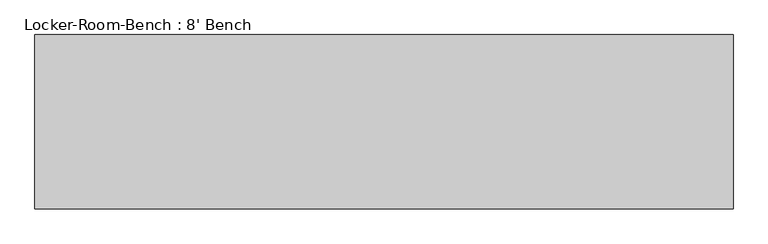
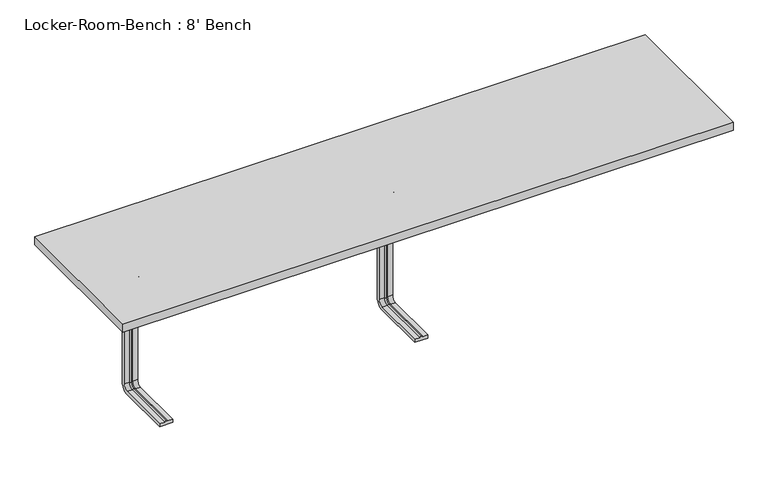
"""IFC4 building model written with IfcOpenShell, lengths in millimetres: proxy geometry, Locker-Room-Bench : 8' Bench."""

from ifc_helpers import new_model, si_unit, point, frame, origin, place, context, project, spatial, polyline, circle_curve, ellipse_curve, trimmed, outline, extrude, source, transform, mapped, element, save
from ifc_brep_helpers import plane_surface, cylinder_surface, revolved_surface, advanced_brep


def locker_room_bench_8_bench_adb4860a(model_context):
    return source(origin(), model_context, "Body", "SolidModel", [
        advanced_brep(
        [(-744.4, -193.6, 381.4), (-784.4, -193.6, 381.4), (-784.4, -193.6, 371.4), (-769.4, -193.6, 371.4), (-764.4, -193.6, 369.0684617), (-759.4, -193.6, 371.4), (-744.4, -193.6, 371.4), (-744.4, -25.0, 381.4), (-784.4, -25.0, 381.4), (-784.4, 0.0, 356.4), (-784.4, 0.0, 40.0), (-784.4, -25.0, 15.0), (-784.4, -193.6, 15.0), (-784.4, -193.6, 25.0), (-784.4, -25.0, 25.0), (-784.4, -10.0, 40.0), (-784.4, -10.0, 356.4), (-784.4, -25.0, 371.4), (-769.4, -25.0, 371.4), (-764.4, -25.0, 369.0684617), (-759.4, -25.0, 371.4), (-744.4, -25.0, 371.4), (-744.4, -10.0, 356.4), (-744.4, -10.0, 40.0), (-744.4, -25.0, 25.0), (-744.4, -193.6, 25.0), (-744.4, -193.6, 15.0), (-744.4, -25.0, 15.0), (-744.4, 0.0, 40.0), (-744.4, 0.0, 356.4), (-769.4, -10.0, 356.4), (-764.4, -12.3315383, 356.4), (-759.4, -10.0, 356.4), (-769.4, -10.0, 40.0), (-764.4, -12.3315383, 40.0), (-759.4, -10.0, 40.0), (-769.4, -25.0, 25.0), (-764.4, -25.0, 27.3315383), (-759.4, -25.0, 25.0), (-759.4, -193.6, 25.0), (-764.4, -193.6, 27.3315383), (-769.4, -193.6, 25.0)],
        [
            (0, 1),
            (1, 2),
            (2, 3),
            (3, 4, circle_curve(frame((-764.6996409, -193.6, 374.9529162), z_axis=(0.0, -1.0, 0.0), x_axis=(0.0, 0.0, 1.0)), 5.8920785)),
            (4, 5, circle_curve(frame((-764.1003591, -193.6, 374.9529162), z_axis=(0.0, -1.0, 0.0), x_axis=(0.0, 0.0, 1.0)), 5.8920785)),
            (5, 6),
            (6, 0),
            (0, 7),
            (7, 8),
            (8, 1),
            (8, 9, circle_curve(frame((-784.4, -25.0, 356.4), z_axis=(-1.0, 0.0, 0.0), x_axis=(0.0, 0.0, 1.0)), 25.0)),
            (9, 10),
            (10, 11, circle_curve(frame((-784.4, -25.0, 40.0), z_axis=(-1.0, 0.0, 0.0), x_axis=(0.0, 1.0, 0.0)), 25.0)),
            (11, 12),
            (12, 13),
            (13, 14),
            (14, 15, circle_curve(frame((-784.4, -25.0, 40.0), z_axis=(1.0, 0.0, 0.0), x_axis=(0.0, 1.0, 0.0)), 15.0)),
            (15, 16),
            (16, 17, circle_curve(frame((-784.4, -25.0, 356.4), z_axis=(1.0, 0.0, 0.0), x_axis=(0.0, 0.0, 1.0)), 15.0)),
            (17, 2),
            (17, 18),
            (18, 3),
            (18, 19, circle_curve(frame((-764.6996409, -25.0, 374.9529162), z_axis=(0.0, -1.0, 0.0), x_axis=(0.0, 0.0, 1.0)), 5.8920785)),
            (19, 4),
            (19, 20, circle_curve(frame((-764.1003591, -25.0, 374.9529162), z_axis=(0.0, -1.0, 0.0), x_axis=(0.0, 0.0, 1.0)), 5.8920785)),
            (20, 5),
            (20, 21),
            (21, 6),
            (21, 22, circle_curve(frame((-744.4, -25.0, 356.4), z_axis=(-1.0, 0.0, 0.0), x_axis=(0.0, 0.0, 1.0)), 15.0)),
            (22, 23),
            (23, 24, circle_curve(frame((-744.4, -25.0, 40.0), z_axis=(-1.0, 0.0, 0.0), x_axis=(0.0, 1.0, 0.0)), 15.0)),
            (24, 25),
            (25, 26),
            (26, 27),
            (27, 28, circle_curve(frame((-744.4, -25.0, 40.0), z_axis=(1.0, 0.0, 0.0), x_axis=(0.0, 1.0, 0.0)), 25.0)),
            (28, 29),
            (29, 7, circle_curve(frame((-744.4, -25.0, 356.4), z_axis=(1.0, 0.0, 0.0), x_axis=(0.0, 0.0, 1.0)), 25.0)),
            (29, 9),
            (30, 18, circle_curve(frame((-769.4, -25.0, 356.4), z_axis=(1.0, 0.0, 0.0), x_axis=(0.0, 0.0, 1.0)), 15.0)),
            (16, 30),
            (31, 19, circle_curve(frame((-764.4, -25.0, 356.4), z_axis=(1.0, 0.0, 0.0), x_axis=(0.0, 0.0, 1.0)), 12.6684617)),
            (30, 31, circle_curve(frame((-764.6996409, -6.4470838, 356.4), z_axis=(0.0, 0.0, 1.0), x_axis=(0.0, 1.0, 0.0)), 5.8920785)),
            (32, 20, circle_curve(frame((-759.4, -25.0, 356.4), z_axis=(1.0, 0.0, 0.0), x_axis=(0.0, 0.0, 1.0)), 15.0)),
            (31, 32, circle_curve(frame((-764.1003591, -6.4470838, 356.4), z_axis=(0.0, 0.0, 1.0), x_axis=(0.0, 1.0, 0.0)), 5.8920785)),
            (32, 22),
            (28, 10),
            (15, 33),
            (33, 30),
            (33, 34, circle_curve(frame((-764.6996409, -6.4470838, 40.0), z_axis=(0.0, 0.0, 1.0), x_axis=(0.0, 1.0, 0.0)), 5.8920785)),
            (34, 31),
            (34, 35, circle_curve(frame((-764.1003591, -6.4470838, 40.0), z_axis=(0.0, 0.0, 1.0), x_axis=(0.0, 1.0, 0.0)), 5.8920785)),
            (35, 32),
            (35, 23),
            (27, 11),
            (36, 33, circle_curve(frame((-769.4, -25.0, 40.0), z_axis=(1.0, 0.0, 0.0), x_axis=(0.0, 1.0, 0.0)), 15.0)),
            (14, 36),
            (37, 34, circle_curve(frame((-764.4, -25.0, 40.0), z_axis=(1.0, 0.0, 0.0), x_axis=(0.0, 1.0, 0.0)), 12.6684617)),
            (36, 37, circle_curve(frame((-764.6996409, -25.0, 21.4470838), z_axis=(0.0, 1.0, 0.0), x_axis=(0.0, 0.0, -1.0)), 5.8920785)),
            (38, 35, circle_curve(frame((-759.4, -25.0, 40.0), z_axis=(1.0, 0.0, 0.0), x_axis=(0.0, 1.0, 0.0)), 15.0)),
            (37, 38, circle_curve(frame((-764.1003591, -25.0, 21.4470838), z_axis=(0.0, 1.0, 0.0), x_axis=(0.0, 0.0, -1.0)), 5.8920785)),
            (38, 24),
            (25, 39),
            (39, 40, circle_curve(frame((-764.1003591, -193.6, 21.4470838), z_axis=(0.0, -1.0, 0.0), x_axis=(0.0, 0.0, -1.0)), 5.8920785)),
            (40, 41, circle_curve(frame((-764.6996409, -193.6, 21.4470838), z_axis=(0.0, -1.0, 0.0), x_axis=(0.0, 0.0, -1.0)), 5.8920785)),
            (41, 13),
            (12, 26),
            (41, 36),
            (40, 37),
            (39, 38),
        ],
        [
            plane_surface(frame((-764.4, -193.6, 381.4), z_axis=(0.0, -1.0, 0.0), x_axis=(1.0, 0.0, 0.0))),
            plane_surface(frame((-744.4, -193.6, 381.4), z_axis=(0.0, 0.0, 1.0), x_axis=(0.0, 1.0, 0.0))),
            plane_surface(frame((-784.4, -193.6, 381.4), z_axis=(-1.0, 0.0, 0.0), x_axis=(0.0, 1.0, 0.0))),
            plane_surface(frame((-784.4, -193.6, 371.4), z_axis=(0.0, 0.0, -1.0), x_axis=(0.0, 1.0, 0.0))),
            cylinder_surface(frame((-764.6996409, -193.6, 374.9529162), z_axis=(0.0, -1.0, 0.0), x_axis=(0.0, 0.0, 1.0)), 5.8920785),
            cylinder_surface(frame((-764.1003591, -193.6, 374.9529162), z_axis=(0.0, -1.0, 0.0), x_axis=(0.0, 0.0, 1.0)), 5.8920785),
            plane_surface(frame((-759.4, -193.6, 371.4), z_axis=(0.0, 0.0, -1.0), x_axis=(0.0, 1.0, 0.0))),
            plane_surface(frame((-744.4, -193.6, 371.4), z_axis=(1.0, 0.0, 0.0), x_axis=(0.0, 1.0, 0.0))),
            cylinder_surface(frame((-764.4, -25.0, 356.4), z_axis=(-1.0, 0.0, 0.0), x_axis=(0.0, 0.0, 1.0)), 25.0),
            revolved_surface(polyline([(-784.4, -25.0, 371.4), (-769.4, -25.0, 371.4)]), (-764.4, -25.0, 356.4), (-1.0, 0.0, 0.0)),
            revolved_surface(trimmed(ellipse_curve(frame((-764.6996409, -25.0, 374.9529162), z_axis=(0.0, -1.0, 0.0), x_axis=(0.0, 0.0, 1.0)), 5.8920785, 5.8920785), [point((-769.4, -25.0, 371.4))], [point((-764.4, -25.0, 369.0684617))], True, "CARTESIAN"), (-764.4, -25.0, 356.4), (-1.0, 0.0, 0.0)),
            revolved_surface(trimmed(ellipse_curve(frame((-764.1003591, -25.0, 374.9529162), z_axis=(0.0, -1.0, 0.0), x_axis=(0.0, 0.0, 1.0)), 5.8920785, 5.8920785), [point((-764.4, -25.0, 369.0684617))], [point((-759.4, -25.0, 371.4))], True, "CARTESIAN"), (-764.4, -25.0, 356.4), (-1.0, 0.0, 0.0)),
            revolved_surface(polyline([(-759.4, -25.0, 371.4), (-744.4, -25.0, 371.4)]), (-764.4, -25.0, 356.4), (-1.0, 0.0, 0.0)),
            plane_surface(frame((-744.4, 0.0, 356.4), z_axis=(0.0, 1.0, 0.0), x_axis=(0.0, 0.0, -1.0))),
            plane_surface(frame((-784.4, -10.0, 356.4), z_axis=(0.0, -1.0, 0.0), x_axis=(0.0, 0.0, -1.0))),
            cylinder_surface(frame((-764.6996409, -6.4470838, 356.4), z_axis=(0.0, 0.0, 1.0), x_axis=(0.0, 1.0, 0.0)), 5.8920785),
            cylinder_surface(frame((-764.1003591, -6.4470838, 356.4), z_axis=(0.0, 0.0, 1.0), x_axis=(0.0, 1.0, 0.0)), 5.8920785),
            plane_surface(frame((-759.4, -10.0, 356.4), z_axis=(0.0, -1.0, 0.0), x_axis=(0.0, 0.0, -1.0))),
            cylinder_surface(frame((-764.4, -25.0, 40.0), z_axis=(-1.0, 0.0, 0.0), x_axis=(0.0, 1.0, 0.0)), 25.0),
            revolved_surface(polyline([(-784.4, -10.0, 40.0), (-769.4, -10.0, 40.0)]), (-764.4, -25.0, 40.0), (-1.0, 0.0, 0.0)),
            revolved_surface(trimmed(ellipse_curve(frame((-764.6996409, -6.4470838, 40.0), z_axis=(0.0, 0.0, 1.0), x_axis=(0.0, 1.0, 0.0)), 5.8920785, 5.8920785), [point((-769.4, -10.0, 40.0))], [point((-764.4, -12.3315383, 40.0))], True, "CARTESIAN"), (-764.4, -25.0, 40.0), (-1.0, 0.0, 0.0)),
            revolved_surface(trimmed(ellipse_curve(frame((-764.1003591, -6.4470838, 40.0), z_axis=(0.0, 0.0, 1.0), x_axis=(0.0, 1.0, 0.0)), 5.8920785, 5.8920785), [point((-764.4, -12.3315383, 40.0))], [point((-759.4, -10.0, 40.0))], True, "CARTESIAN"), (-764.4, -25.0, 40.0), (-1.0, 0.0, 0.0)),
            revolved_surface(polyline([(-759.4, -10.0, 40.0), (-744.4, -10.0, 40.0)]), (-764.4, -25.0, 40.0), (-1.0, 0.0, 0.0)),
            plane_surface(frame((-764.4, -193.6, 15.0), z_axis=(0.0, -1.0, 0.0), x_axis=(1.0, 0.0, 0.0))),
            plane_surface(frame((-744.4, -25.0, 15.0), z_axis=(0.0, 0.0, -1.0), x_axis=(0.0, -1.0, 0.0))),
            plane_surface(frame((-784.4, -25.0, 25.0), z_axis=(0.0, 0.0, 1.0), x_axis=(0.0, -1.0, 0.0))),
            cylinder_surface(frame((-764.6996409, -25.0, 21.4470838), z_axis=(0.0, 1.0, 0.0), x_axis=(0.0, 0.0, -1.0)), 5.8920785),
            cylinder_surface(frame((-764.1003591, -25.0, 21.4470838), z_axis=(0.0, 1.0, 0.0), x_axis=(0.0, 0.0, -1.0)), 5.8920785),
            plane_surface(frame((-759.4, -25.0, 25.0), z_axis=(0.0, 0.0, 1.0), x_axis=(0.0, -1.0, 0.0))),
        ],
        [
            (0, [[1, 2, 3, 4, 5, 6, 7]]),
            (1, [[-1, 8, 9, 10]]),
            (2, [[-2, -10, 11, 12, 13, 14, 15, 16, 17, 18, 19, 20]]),
            (3, [[-3, -20, 21, 22]]),
            (4, [[-4, -22, 23, 24]]),
            (5, [[-5, -24, 25, 26]]),
            (6, [[-6, -26, 27, 28]]),
            (7, [[-7, -28, 29, 30, 31, 32, 33, 34, 35, 36, 37, -8]]),
            (8, [[-11, -9, -37, 38]]),
            (9, [[39, -21, -19, 40]]),
            (10, [[41, -23, -39, 42]]),
            (11, [[43, -25, -41, 44]]),
            (12, [[-29, -27, -43, 45]]),
            (13, [[-38, -36, 46, -12]]),
            (14, [[-40, -18, 47, 48]]),
            (15, [[-42, -48, 49, 50]]),
            (16, [[-44, -50, 51, 52]]),
            (17, [[-45, -52, 53, -30]]),
            (18, [[-13, -46, -35, 54]]),
            (19, [[55, -47, -17, 56]]),
            (20, [[57, -49, -55, 58]]),
            (21, [[59, -51, -57, 60]]),
            (22, [[-31, -53, -59, 61]]),
            (23, [[-33, 62, 63, 64, 65, -15, 66]]),
            (24, [[-54, -34, -66, -14]]),
            (25, [[-56, -16, -65, 67]]),
            (26, [[-58, -67, -64, 68]]),
            (27, [[-60, -68, -63, 69]]),
            (28, [[-61, -69, -62, -32]]),
        ],
    ),
        advanced_brep(
        [(20.0, -193.6, 381.4), (-20.0, -193.6, 381.4), (-20.0, -193.6, 371.4), (-5.0, -193.6, 371.4), (0.0, -193.6, 369.0684617), (5.0, -193.6, 371.4), (20.0, -193.6, 371.4), (20.0, -25.0, 381.4), (-20.0, -25.0, 381.4), (-20.0, 0.0, 356.4), (-20.0, 0.0, 40.0), (-20.0, -25.0, 15.0), (-20.0, -193.6, 15.0), (-20.0, -193.6, 25.0), (-20.0, -25.0, 25.0), (-20.0, -10.0, 40.0), (-20.0, -10.0, 356.4), (-20.0, -25.0, 371.4), (-5.0, -25.0, 371.4), (0.0, -25.0, 369.0684617), (5.0, -25.0, 371.4), (20.0, -25.0, 371.4), (20.0, -10.0, 356.4), (20.0, -10.0, 40.0), (20.0, -25.0, 25.0), (20.0, -193.6, 25.0), (20.0, -193.6, 15.0), (20.0, -25.0, 15.0), (20.0, 0.0, 40.0), (20.0, 0.0, 356.4), (-5.0, -10.0, 356.4), (0.0, -12.3315383, 356.4), (5.0, -10.0, 356.4), (-5.0, -10.0, 40.0), (0.0, -12.3315383, 40.0), (5.0, -10.0, 40.0), (-5.0, -25.0, 25.0), (0.0, -25.0, 27.3315383), (5.0, -25.0, 25.0), (5.0, -193.6, 25.0), (0.0, -193.6, 27.3315383), (-5.0, -193.6, 25.0)],
        [
            (0, 1),
            (1, 2),
            (2, 3),
            (3, 4, circle_curve(frame((-0.2996409, -193.6, 374.9529162), z_axis=(0.0, -1.0, 0.0), x_axis=(0.0, 0.0, 1.0)), 5.8920785)),
            (4, 5, circle_curve(frame((0.2996409, -193.6, 374.9529162), z_axis=(0.0, -1.0, 0.0), x_axis=(0.0, 0.0, 1.0)), 5.8920785)),
            (5, 6),
            (6, 0),
            (0, 7),
            (7, 8),
            (8, 1),
            (8, 9, circle_curve(frame((-20.0, -25.0, 356.4), z_axis=(-1.0, 0.0, 0.0), x_axis=(0.0, 0.0, 1.0)), 25.0)),
            (9, 10),
            (10, 11, circle_curve(frame((-20.0, -25.0, 40.0), z_axis=(-1.0, 0.0, 0.0), x_axis=(0.0, 1.0, 0.0)), 25.0)),
            (11, 12),
            (12, 13),
            (13, 14),
            (14, 15, circle_curve(frame((-20.0, -25.0, 40.0), z_axis=(1.0, 0.0, 0.0), x_axis=(0.0, 1.0, 0.0)), 15.0)),
            (15, 16),
            (16, 17, circle_curve(frame((-20.0, -25.0, 356.4), z_axis=(1.0, 0.0, 0.0), x_axis=(0.0, 0.0, 1.0)), 15.0)),
            (17, 2),
            (17, 18),
            (18, 3),
            (18, 19, circle_curve(frame((-0.2996409, -25.0, 374.9529162), z_axis=(0.0, -1.0, 0.0), x_axis=(0.0, 0.0, 1.0)), 5.8920785)),
            (19, 4),
            (19, 20, circle_curve(frame((0.2996409, -25.0, 374.9529162), z_axis=(0.0, -1.0, 0.0), x_axis=(0.0, 0.0, 1.0)), 5.8920785)),
            (20, 5),
            (20, 21),
            (21, 6),
            (21, 22, circle_curve(frame((20.0, -25.0, 356.4), z_axis=(-1.0, 0.0, 0.0), x_axis=(0.0, 0.0, 1.0)), 15.0)),
            (22, 23),
            (23, 24, circle_curve(frame((20.0, -25.0, 40.0), z_axis=(-1.0, 0.0, 0.0), x_axis=(0.0, 1.0, 0.0)), 15.0)),
            (24, 25),
            (25, 26),
            (26, 27),
            (27, 28, circle_curve(frame((20.0, -25.0, 40.0), z_axis=(1.0, 0.0, 0.0), x_axis=(0.0, 1.0, 0.0)), 25.0)),
            (28, 29),
            (29, 7, circle_curve(frame((20.0, -25.0, 356.4), z_axis=(1.0, 0.0, 0.0), x_axis=(0.0, 0.0, 1.0)), 25.0)),
            (29, 9),
            (30, 18, circle_curve(frame((-5.0, -25.0, 356.4), z_axis=(1.0, 0.0, 0.0), x_axis=(0.0, 0.0, 1.0)), 15.0)),
            (16, 30),
            (31, 19, circle_curve(frame((0.0, -25.0, 356.4), z_axis=(1.0, 0.0, 0.0), x_axis=(0.0, 0.0, 1.0)), 12.6684617)),
            (30, 31, circle_curve(frame((-0.2996409, -6.4470838, 356.4), z_axis=(0.0, 0.0, 1.0), x_axis=(0.0, 1.0, 0.0)), 5.8920785)),
            (32, 20, circle_curve(frame((5.0, -25.0, 356.4), z_axis=(1.0, 0.0, 0.0), x_axis=(0.0, 0.0, 1.0)), 15.0)),
            (31, 32, circle_curve(frame((0.2996409, -6.4470838, 356.4), z_axis=(0.0, 0.0, 1.0), x_axis=(0.0, 1.0, 0.0)), 5.8920785)),
            (32, 22),
            (28, 10),
            (15, 33),
            (33, 30),
            (33, 34, circle_curve(frame((-0.2996409, -6.4470838, 40.0), z_axis=(0.0, 0.0, 1.0), x_axis=(0.0, 1.0, 0.0)), 5.8920785)),
            (34, 31),
            (34, 35, circle_curve(frame((0.2996409, -6.4470838, 40.0), z_axis=(0.0, 0.0, 1.0), x_axis=(0.0, 1.0, 0.0)), 5.8920785)),
            (35, 32),
            (35, 23),
            (27, 11),
            (36, 33, circle_curve(frame((-5.0, -25.0, 40.0), z_axis=(1.0, 0.0, 0.0), x_axis=(0.0, 1.0, 0.0)), 15.0)),
            (14, 36),
            (37, 34, circle_curve(frame((0.0, -25.0, 40.0), z_axis=(1.0, 0.0, 0.0), x_axis=(0.0, 1.0, 0.0)), 12.6684617)),
            (36, 37, circle_curve(frame((-0.2996409, -25.0, 21.4470838), z_axis=(0.0, 1.0, 0.0), x_axis=(0.0, 0.0, -1.0)), 5.8920785)),
            (38, 35, circle_curve(frame((5.0, -25.0, 40.0), z_axis=(1.0, 0.0, 0.0), x_axis=(0.0, 1.0, 0.0)), 15.0)),
            (37, 38, circle_curve(frame((0.2996409, -25.0, 21.4470838), z_axis=(0.0, 1.0, 0.0), x_axis=(0.0, 0.0, -1.0)), 5.8920785)),
            (38, 24),
            (25, 39),
            (39, 40, circle_curve(frame((0.2996409, -193.6, 21.4470838), z_axis=(0.0, -1.0, 0.0), x_axis=(0.0, 0.0, -1.0)), 5.8920785)),
            (40, 41, circle_curve(frame((-0.2996409, -193.6, 21.4470838), z_axis=(0.0, -1.0, 0.0), x_axis=(0.0, 0.0, -1.0)), 5.8920785)),
            (41, 13),
            (12, 26),
            (41, 36),
            (40, 37),
            (39, 38),
        ],
        [
            plane_surface(frame((0.0, -193.6, 381.4), z_axis=(0.0, -1.0, 0.0), x_axis=(1.0, 0.0, 0.0))),
            plane_surface(frame((20.0, -193.6, 381.4), z_axis=(0.0, 0.0, 1.0), x_axis=(0.0, 1.0, 0.0))),
            plane_surface(frame((-20.0, -193.6, 381.4), z_axis=(-1.0, 0.0, 0.0), x_axis=(0.0, 1.0, 0.0))),
            plane_surface(frame((-20.0, -193.6, 371.4), z_axis=(0.0, 0.0, -1.0), x_axis=(0.0, 1.0, 0.0))),
            cylinder_surface(frame((-0.2996409, -193.6, 374.9529162), z_axis=(0.0, -1.0, 0.0), x_axis=(0.0, 0.0, 1.0)), 5.8920785),
            cylinder_surface(frame((0.2996409, -193.6, 374.9529162), z_axis=(0.0, -1.0, 0.0), x_axis=(0.0, 0.0, 1.0)), 5.8920785),
            plane_surface(frame((5.0, -193.6, 371.4), z_axis=(0.0, 0.0, -1.0), x_axis=(0.0, 1.0, 0.0))),
            plane_surface(frame((20.0, -193.6, 371.4), z_axis=(1.0, 0.0, 0.0), x_axis=(0.0, 1.0, 0.0))),
            cylinder_surface(frame((0.0, -25.0, 356.4), z_axis=(-1.0, 0.0, 0.0), x_axis=(0.0, 0.0, 1.0)), 25.0),
            revolved_surface(polyline([(-20.0, -25.0, 371.4), (-5.0, -25.0, 371.4)]), (0.0, -25.0, 356.4), (-1.0, 0.0, 0.0)),
            revolved_surface(trimmed(ellipse_curve(frame((-0.2996409, -25.0, 374.9529162), z_axis=(0.0, -1.0, 0.0), x_axis=(0.0, 0.0, 1.0)), 5.8920785, 5.8920785), [point((-5.0, -25.0, 371.4))], [point((0.0, -25.0, 369.0684617))], True, "CARTESIAN"), (0.0, -25.0, 356.4), (-1.0, 0.0, 0.0)),
            revolved_surface(trimmed(ellipse_curve(frame((0.2996409, -25.0, 374.9529162), z_axis=(0.0, -1.0, 0.0), x_axis=(0.0, 0.0, 1.0)), 5.8920785, 5.8920785), [point((0.0, -25.0, 369.0684617))], [point((5.0, -25.0, 371.4))], True, "CARTESIAN"), (0.0, -25.0, 356.4), (-1.0, 0.0, 0.0)),
            revolved_surface(polyline([(5.0, -25.0, 371.4), (20.0, -25.0, 371.4)]), (0.0, -25.0, 356.4), (-1.0, 0.0, 0.0)),
            plane_surface(frame((20.0, 0.0, 356.4), z_axis=(0.0, 1.0, 0.0), x_axis=(0.0, 0.0, -1.0))),
            plane_surface(frame((-20.0, -10.0, 356.4), z_axis=(0.0, -1.0, 0.0), x_axis=(0.0, 0.0, -1.0))),
            cylinder_surface(frame((-0.2996409, -6.4470838, 356.4), z_axis=(0.0, 0.0, 1.0), x_axis=(0.0, 1.0, 0.0)), 5.8920785),
            cylinder_surface(frame((0.2996409, -6.4470838, 356.4), z_axis=(0.0, 0.0, 1.0), x_axis=(0.0, 1.0, 0.0)), 5.8920785),
            plane_surface(frame((5.0, -10.0, 356.4), z_axis=(0.0, -1.0, 0.0), x_axis=(0.0, 0.0, -1.0))),
            cylinder_surface(frame((0.0, -25.0, 40.0), z_axis=(-1.0, 0.0, 0.0), x_axis=(0.0, 1.0, 0.0)), 25.0),
            revolved_surface(polyline([(-20.0, -10.0, 40.0), (-5.0, -10.0, 40.0)]), (0.0, -25.0, 40.0), (-1.0, 0.0, 0.0)),
            revolved_surface(trimmed(ellipse_curve(frame((-0.2996409, -6.4470838, 40.0), z_axis=(0.0, 0.0, 1.0), x_axis=(0.0, 1.0, 0.0)), 5.8920785, 5.8920785), [point((-5.0, -10.0, 40.0))], [point((0.0, -12.3315383, 40.0))], True, "CARTESIAN"), (0.0, -25.0, 40.0), (-1.0, 0.0, 0.0)),
            revolved_surface(trimmed(ellipse_curve(frame((0.2996409, -6.4470838, 40.0), z_axis=(0.0, 0.0, 1.0), x_axis=(0.0, 1.0, 0.0)), 5.8920785, 5.8920785), [point((0.0, -12.3315383, 40.0))], [point((5.0, -10.0, 40.0))], True, "CARTESIAN"), (0.0, -25.0, 40.0), (-1.0, 0.0, 0.0)),
            revolved_surface(polyline([(5.0, -10.0, 40.0), (20.0, -10.0, 40.0)]), (0.0, -25.0, 40.0), (-1.0, 0.0, 0.0)),
            plane_surface(frame((0.0, -193.6, 15.0), z_axis=(0.0, -1.0, 0.0), x_axis=(1.0, 0.0, 0.0))),
            plane_surface(frame((20.0, -25.0, 15.0), z_axis=(0.0, 0.0, -1.0), x_axis=(0.0, -1.0, 0.0))),
            plane_surface(frame((-20.0, -25.0, 25.0), z_axis=(0.0, 0.0, 1.0), x_axis=(0.0, -1.0, 0.0))),
            cylinder_surface(frame((-0.2996409, -25.0, 21.4470838), z_axis=(0.0, 1.0, 0.0), x_axis=(0.0, 0.0, -1.0)), 5.8920785),
            cylinder_surface(frame((0.2996409, -25.0, 21.4470838), z_axis=(0.0, 1.0, 0.0), x_axis=(0.0, 0.0, -1.0)), 5.8920785),
            plane_surface(frame((5.0, -25.0, 25.0), z_axis=(0.0, 0.0, 1.0), x_axis=(0.0, -1.0, 0.0))),
        ],
        [
            (0, [[1, 2, 3, 4, 5, 6, 7]]),
            (1, [[-1, 8, 9, 10]]),
            (2, [[-2, -10, 11, 12, 13, 14, 15, 16, 17, 18, 19, 20]]),
            (3, [[-3, -20, 21, 22]]),
            (4, [[-4, -22, 23, 24]]),
            (5, [[-5, -24, 25, 26]]),
            (6, [[-6, -26, 27, 28]]),
            (7, [[-7, -28, 29, 30, 31, 32, 33, 34, 35, 36, 37, -8]]),
            (8, [[-11, -9, -37, 38]]),
            (9, [[39, -21, -19, 40]]),
            (10, [[41, -23, -39, 42]]),
            (11, [[43, -25, -41, 44]]),
            (12, [[-29, -27, -43, 45]]),
            (13, [[-38, -36, 46, -12]]),
            (14, [[-40, -18, 47, 48]]),
            (15, [[-42, -48, 49, 50]]),
            (16, [[-44, -50, 51, 52]]),
            (17, [[-45, -52, 53, -30]]),
            (18, [[-13, -46, -35, 54]]),
            (19, [[55, -47, -17, 56]]),
            (20, [[57, -49, -55, 58]]),
            (21, [[59, -51, -57, 60]]),
            (22, [[-31, -53, -59, 61]]),
            (23, [[-33, 62, 63, 64, 65, -15, 66]]),
            (24, [[-54, -34, -66, -14]]),
            (25, [[-56, -16, -65, 67]]),
            (26, [[-58, -67, -64, 68]]),
            (27, [[-60, -68, -63, 69]]),
            (28, [[-61, -69, -62, -32]]),
        ],
    ),
        extrude(outline(polyline([(914.4, 228.6), (914.4, -228.6), (-914.4, -228.6), (-914.4, 228.6), (914.4, 228.6)])), frame((0.0, 0.0, 381.4), z_axis=(0.0, 0.0, 1.0), x_axis=(1.0, 0.0, 0.0)), (0.0, 0.0, 1.0), 25.0),
    ])


if __name__ == "__main__":
    model = new_model("IFC4")
    model_context = context("Model", 3, world=origin())
    ifc_project = project(units=[si_unit("LENGTHUNIT", "METRE", prefix="MILLI")], contexts=[model_context])
    site = spatial("IfcSite", under=ifc_project)
    building = spatial("IfcBuilding", under=site)
    placement = place(None, origin())
    locker_room_bench_8_bench_shape = locker_room_bench_8_bench_adb4860a(model_context)
    element("IfcBuildingElementProxy", 1, Name="Locker-Room-Bench : 8' Bench", ObjectType="Locker-Room-Bench : 8' Bench", at=placement, inside=building, context=model_context, shape_type="MappedRepresentation", body=[
        mapped(locker_room_bench_8_bench_shape, transform((0.0, 0.0, 0.0), x_axis=(1.0, 0.0, 0.0), y_axis=(0.0, 1.0, 0.0), z_axis=(0.0, 0.0, 1.0))),
    ])
    save(model, "model.ifc")
